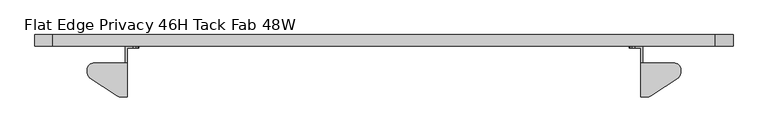
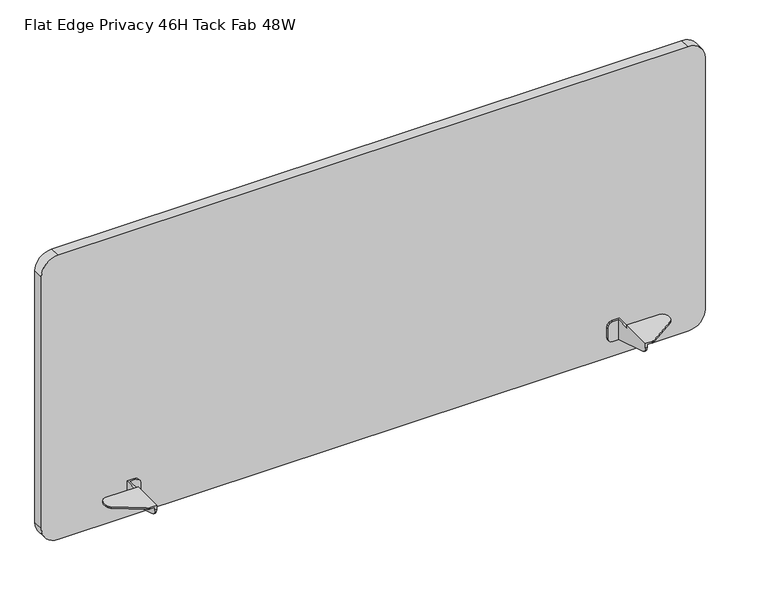
"""IFC4 building model written with IfcOpenShell, lengths in millimetres: furniture geometry, Flat Edge Privacy 46H Tack Fab 48W."""

from ifc_helpers import new_model, si_unit, point, frame, frame_2d, origin, place, context, project, spatial, polyline, circle_curve, trimmed, segment, composite_curve, outline, extrude, faceted_brep, source, transform, mapped, element, save


def flat_edge_privacy_46h_tack_fab_48w_99b36d90(model_context):
    return source(origin(), model_context, "Body", "SolidModel", [
        faceted_brep([(1040.0029971, 0.0, 645.2614134), (1040.0029971, -3.0479994, 645.2614134), (1036.955, -3.0479994, 645.2614134), (1027.1760002, -3.0479994, 645.2614134), (1027.1760002, 0.0, 645.2614134), (1036.955, -28.1940001, 687.6031603), (1036.955, -84.8360008, 687.6031603), (1048.0583012, -84.8360008, 687.6031603), (1049.902956, -84.6556703, 687.6031603), (1051.6777569, -84.1215187, 687.6031603), (1053.3155021, -83.2537619, 687.6031603), (1098.9812013, -53.0282948, 687.6031603), (1101.2637927, -50.905943, 687.6031603), (1102.7390478, -48.1603598, 687.6031603), (1103.2490004, -45.0855338, 687.6031603), (1103.2490004, -37.7190004, 687.6031603), (1101.9728973, -32.9564998, 687.6031603), (1098.4865004, -29.470108, 687.6031603), (1093.7240004, -28.1940001, 687.6031603), (1036.955, -84.8360008, 679.971722), (1040.0029971, -84.8360008, 679.971722), (1040.0029971, -84.8360008, 684.5551632), (1048.0583012, -84.8360008, 684.5551632), (1022.4135002, 0.0, 646.5374983), (1018.9271033, 0.0, 650.0239134), (1017.6510002, 0.0, 654.7864134), (1017.6510002, 0.0, 672.9981651), (1018.9271033, 0.0, 677.7606651), (1022.4135002, 0.0, 681.2470802), (1027.1760002, 0.0, 682.5231651), (1040.0029971, 0.0, 682.5231651), (1040.0029971, -28.1940001, 684.5551632), (1093.7240004, -28.1940001, 684.5551632), (1098.4865004, -29.470108, 684.5551632), (1101.9728973, -32.9564998, 684.5551632), (1103.2490004, -37.7190004, 684.5551632), (1103.2490004, -45.0855338, 684.5551632), (1102.7390478, -48.1603598, 684.5551632), (1101.2637927, -50.905943, 684.5551632), (1098.9812013, -53.0282948, 684.5551632), (1053.3155021, -83.2537619, 684.5551632), (1051.6777569, -84.1215187, 684.5551632), (1049.902956, -84.6556703, 684.5551632), (1040.0029971, -83.485134, 674.2719973), (1040.0029971, -79.719916, 669.7847712), (1040.0029971, -74.3413335, 667.4647093), (1040.0029971, -28.1940001, 682.5231651), (1036.955, -28.1940001, 682.5231651), (1036.955, -74.3413335, 667.4647093), (1036.955, -79.719916, 669.7847712), (1036.955, -83.485134, 674.2719973), (1036.955, -3.0479994, 682.5231651), (1027.1760002, -3.0479994, 682.5231651), (1022.4135002, -3.0479994, 681.2470802), (1018.9271033, -3.0479994, 677.7606651), (1017.6510002, -3.0479994, 672.9981651), (1017.6510002, -3.0479994, 654.7864134), (1018.9271033, -3.0479994, 650.0239134), (1022.4135002, -3.0479994, 646.5374983)], [[[0, 1, 2, 3, 4]], [[5, 6, 7, 8, 9, 10, 11, 12, 13, 14, 15, 16, 17, 18]], [[6, 19, 20, 21, 22, 7]], [[4, 23, 24, 25, 26, 27, 28, 29, 30, 0]], [[31, 32, 33, 34, 35, 36, 37, 38, 39, 40, 41, 42, 22, 21]], [[21, 20, 43, 44, 45, 1, 0, 30, 46, 31]], [[5, 18, 32, 31, 46, 47]], [[17, 33, 32, 18]], [[16, 34, 33, 17]], [[15, 35, 34, 16]], [[14, 36, 35, 15]], [[13, 37, 36, 14]], [[12, 38, 37, 13]], [[11, 39, 38, 12]], [[10, 40, 39, 11]], [[9, 41, 40, 10]], [[8, 42, 41, 9]], [[7, 22, 42, 8]], [[2, 48, 49, 50, 19, 6, 5, 47, 51]], [[30, 29, 52, 51, 47, 46]], [[28, 53, 52, 29]], [[27, 54, 53, 28]], [[26, 55, 54, 27]], [[25, 56, 55, 26]], [[24, 57, 56, 25]], [[23, 58, 57, 24]], [[4, 3, 58, 23]], [[51, 52, 53, 54, 55, 56, 57, 58, 3, 2]], [[48, 2, 1, 45]], [[45, 44, 49, 48]], [[44, 43, 50, 49]], [[43, 20, 19, 50]]]),
        faceted_brep([(176.1490029, 0.0, 645.2614134), (188.9759998, 0.0, 645.2614134), (188.9759998, -3.0479994, 645.2614134), (179.197, -3.0479994, 645.2614134), (176.1490029, -3.0479994, 645.2614134), (179.197, -28.1940001, 687.6031603), (122.4279996, -28.1940001, 687.6031603), (117.6654996, -29.470108, 687.6031603), (114.1791027, -32.9564998, 687.6031603), (112.9029996, -37.7190004, 687.6031603), (112.9029996, -45.0855338, 687.6031603), (113.4129522, -48.1603598, 687.6031603), (114.8882073, -50.905943, 687.6031603), (117.1707987, -53.0282948, 687.6031603), (162.8364979, -83.2537619, 687.6031603), (164.4742431, -84.1215187, 687.6031603), (166.249044, -84.6556703, 687.6031603), (168.0936988, -84.8360008, 687.6031603), (179.197, -84.8360008, 687.6031603), (168.0936988, -84.8360008, 684.5551632), (176.1490029, -84.8360008, 684.5551632), (176.1490029, -84.8360008, 679.971722), (179.197, -84.8360008, 679.971722), (176.1490029, 0.0, 682.5231651), (188.9759998, 0.0, 682.5231651), (193.7384998, 0.0, 681.2470802), (197.2248967, 0.0, 677.7606651), (198.5009998, 0.0, 672.9981651), (198.5009998, 0.0, 654.7864134), (197.2248967, 0.0, 650.0239134), (193.7384998, 0.0, 646.5374983), (176.1490029, -28.1940001, 684.5551632), (166.249044, -84.6556703, 684.5551632), (164.4742431, -84.1215187, 684.5551632), (162.8364979, -83.2537619, 684.5551632), (117.1707987, -53.0282948, 684.5551632), (114.8882073, -50.905943, 684.5551632), (113.4129522, -48.1603598, 684.5551632), (112.9029996, -45.0855338, 684.5551632), (112.9029996, -37.7190004, 684.5551632), (114.1791027, -32.9564998, 684.5551632), (117.6654996, -29.470108, 684.5551632), (122.4279996, -28.1940001, 684.5551632), (176.1490029, -28.1940001, 682.5231651), (176.1490029, -74.3413335, 667.4647093), (176.1490029, -79.719916, 669.7847712), (176.1490029, -83.485134, 674.2719973), (179.197, -28.1940001, 682.5231651), (179.197, -3.0479994, 682.5231651), (179.197, -83.485134, 674.2719973), (179.197, -79.719916, 669.7847712), (179.197, -74.3413335, 667.4647093), (188.9759998, -3.0479994, 682.5231651), (193.7384998, -3.0479994, 681.2470802), (197.2248967, -3.0479994, 677.7606651), (198.5009998, -3.0479994, 672.9981651), (198.5009998, -3.0479994, 654.7864134), (197.2248967, -3.0479994, 650.0239134), (193.7384998, -3.0479994, 646.5374983)], [[[0, 1, 2, 3, 4]], [[5, 6, 7, 8, 9, 10, 11, 12, 13, 14, 15, 16, 17, 18]], [[18, 17, 19, 20, 21, 22]], [[1, 0, 23, 24, 25, 26, 27, 28, 29, 30]], [[31, 20, 19, 32, 33, 34, 35, 36, 37, 38, 39, 40, 41, 42]], [[20, 31, 43, 23, 0, 4, 44, 45, 46, 21]], [[5, 47, 43, 31, 42, 6]], [[7, 6, 42, 41]], [[8, 7, 41, 40]], [[9, 8, 40, 39]], [[10, 9, 39, 38]], [[11, 10, 38, 37]], [[12, 11, 37, 36]], [[13, 12, 36, 35]], [[14, 13, 35, 34]], [[15, 14, 34, 33]], [[16, 15, 33, 32]], [[17, 16, 32, 19]], [[3, 48, 47, 5, 18, 22, 49, 50, 51]], [[23, 43, 47, 48, 52, 24]], [[25, 24, 52, 53]], [[26, 25, 53, 54]], [[27, 26, 54, 55]], [[28, 27, 55, 56]], [[29, 28, 56, 57]], [[30, 29, 57, 58]], [[1, 30, 58, 2]], [[48, 3, 2, 58, 57, 56, 55, 54, 53, 52]], [[51, 44, 4, 3]], [[44, 51, 50, 45]], [[45, 50, 49, 46]], [[46, 49, 22, 21]]]),
        extrude(outline(composite_curve([segment(trimmed(circle_curve(frame_2d((646.0233504, 55.372)), 29.972), [point((646.0233504, 25.4))], [point((616.0513504, 55.372))], False, "CARTESIAN"), True, "CONTINUOUS"), segment(polyline([(616.0513504, 55.372), (616.0513504, 1160.78)]), True, "CONTINUOUS"), segment(trimmed(circle_curve(frame_2d((646.0233504, 1160.78)), 29.972), [point((616.0513504, 1160.78))], [point((646.0233504, 1190.752))], False, "CARTESIAN"), True, "CONTINUOUS"), segment(polyline([(646.0233504, 1190.752), (1114.1202, 1190.752)]), True, "CONTINUOUS"), segment(trimmed(circle_curve(frame_2d((1114.1202, 1160.78)), 29.972), [point((1114.1202, 1190.752))], [point((1144.0922, 1160.78))], False, "CARTESIAN"), True, "CONTINUOUS"), segment(polyline([(1144.0922, 1160.78), (1144.0922, 55.372)]), True, "CONTINUOUS"), segment(trimmed(circle_curve(frame_2d((1114.1202, 55.372)), 29.972), [point((1144.0922, 55.372))], [point((1114.1202, 25.4))], False, "CARTESIAN"), True, "CONTINUOUS"), segment(polyline([(1114.1202, 25.4), (646.0233504, 25.4)]), True, "CONTINUOUS")], self_intersect=False)), frame((0.0, 0.0, 0.0), z_axis=(0.0, 1.0, 0.0), x_axis=(0.0, 0.0, 1.0)), (0.0, 0.0, 1.0), 19.05),
    ])


if __name__ == "__main__":
    model = new_model("IFC4")
    model_context = context("Model", 3, world=origin())
    ifc_project = project(units=[si_unit("LENGTHUNIT", "METRE", prefix="MILLI")], contexts=[model_context])
    site = spatial("IfcSite", under=ifc_project)
    building = spatial("IfcBuilding", under=site)
    placement = place(None, origin())
    flat_edge_privacy_46h_tack_fab_48w_shape = flat_edge_privacy_46h_tack_fab_48w_99b36d90(model_context)
    element("IfcFurniture", 1, ObjectType="Flat Edge Privacy 46H Tack Fab 48W", at=placement, inside=building, context=model_context, shape_type="MappedRepresentation", body=[
        mapped(flat_edge_privacy_46h_tack_fab_48w_shape, transform((0.0, 0.0, 0.0), x_axis=(1.0, 0.0, 0.0), y_axis=(0.0, 1.0, 0.0), z_axis=(0.0, 0.0, 1.0))),
    ])
    save(model, "model.ifc")
